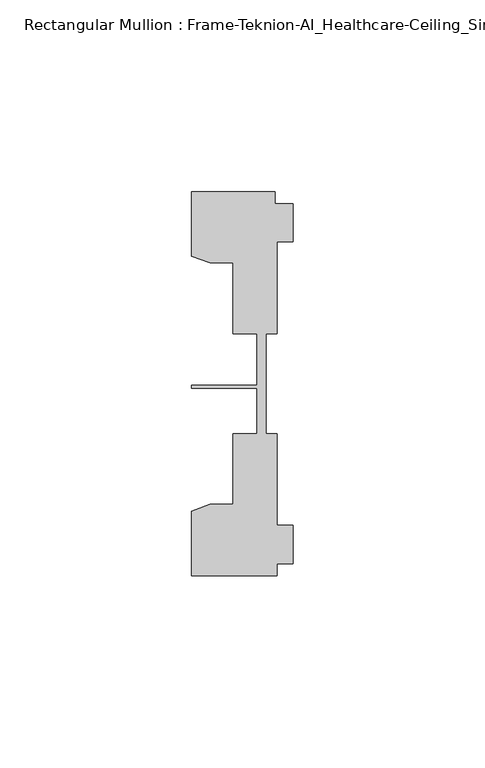
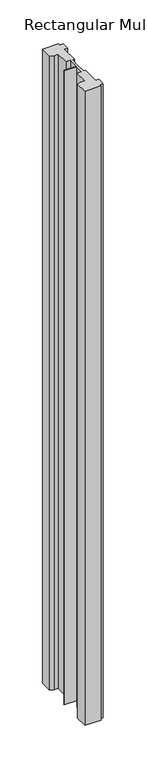
"""IFC4 building model written with IfcOpenShell, lengths in millimetres: member geometry, Rectangular Mullion : Frame-Teknion-AI_Healthcare-Ceiling_Single_Channel."""

from ifc_helpers import new_model, si_unit, frame, origin, place, context, project, spatial, polyline, outline, extrude, source, transform, mapped, element, save


def rectangular_mullion_frame_teknion_ai_healthcare_ceiling_29e6618c(model_context):
    return source(origin(), model_context, "Body", "SweptSolid", [
        extrude(outline(polyline([(-26.4921999, 34.0201677), (-26.4921999, 50.8315128), (-4.7752002, 50.8315128), (-4.7752002, 47.782071), (0.0, 47.782071), (0.0, 37.7820716), (-4.2672007, 37.7820716), (-4.2672007, 13.9110722), (-7.1647766, 13.9110722), (-7.1647766, 0.0814804), (-7.1647766, -12.2509301), (-4.2672007, -12.2509301), (-4.2672007, -36.1219249), (0.0, -36.1219249), (0.0, -46.1219322), (-4.2672007, -46.1219322), (-4.2672007, -49.1699293), (-26.4921999, -49.1699293), (-26.4921999, -32.3600207), (-21.6625199, -30.6279561), (-15.6737764, -30.6279561), (-15.6737764, -12.2509301), (-9.4507761, -12.2509301), (-9.4507761, -0.4036528), (-26.4921999, -0.4036528), (-26.4921999, 0.4036528), (-9.4507761, 0.4036528), (-9.4507761, 13.9110722), (-15.6737764, 13.9110722), (-15.6737764, 32.2880982), (-21.6625199, 32.2880982), (-26.4921999, 34.0201677)])), frame((0.0, 0.0, -909.5573348), z_axis=(0.0, 0.0, 1.0), x_axis=(1.0, 0.0, 0.0)), (0.0, 0.0, 1.0), 909.5573348),
    ])


if __name__ == "__main__":
    model = new_model("IFC4")
    model_context = context("Model", 3, world=origin())
    ifc_project = project(units=[si_unit("LENGTHUNIT", "METRE", prefix="MILLI")], contexts=[model_context])
    site = spatial("IfcSite", under=ifc_project)
    building = spatial("IfcBuilding", under=site)
    placement = place(None, origin())
    rectangular_mullion_frame_teknion_ai_healthcare_ceiling_shape = rectangular_mullion_frame_teknion_ai_healthcare_ceiling_29e6618c(model_context)
    element("IfcMember", 1, ObjectType="Rectangular Mullion : Frame-Teknion-AI_Healthcare-Ceiling_Single_Channel", at=placement, inside=building, context=model_context, shape_type="MappedRepresentation", body=[
        mapped(rectangular_mullion_frame_teknion_ai_healthcare_ceiling_shape, transform((0.0, 0.0, 0.0), x_axis=(1.0, 0.0, 0.0), y_axis=(0.0, 1.0, 0.0), z_axis=(0.0, 0.0, 1.0))),
    ])
    save(model, "model.ifc")
